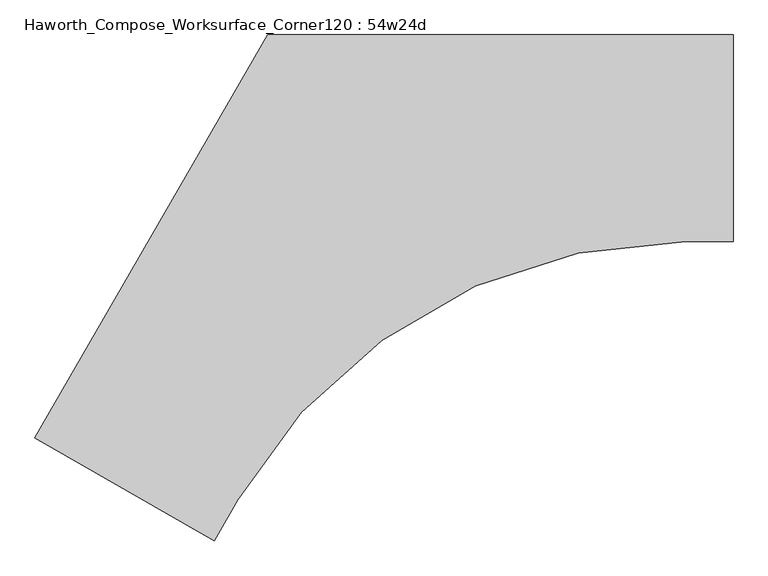
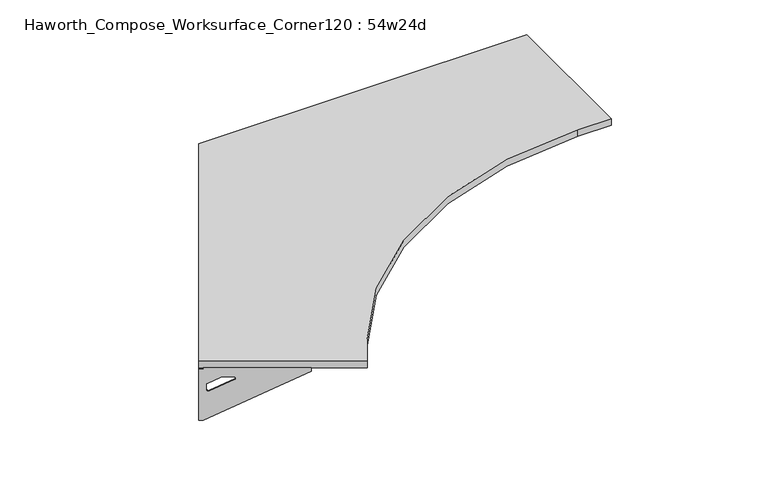
"""IFC4 building model written with IfcOpenShell, lengths in millimetres: furniture geometry, Haworth_Compose_Worksurface_Corner120 : 54w24d."""

from ifc_helpers import new_model, si_unit, point, frame, frame_2d, origin, place, context, project, spatial, polyline, circle_curve, trimmed, segment, composite_curve, outline, extrude, source, transform, mapped, element, save
from ifc_brep_helpers import plane_surface, revolved_surface, advanced_brep


def haworth_compose_worksurface_corner120_54w24d_09cba684(model_context):
    return source(origin(), model_context, "Body", "SolidModel", [
        advanced_brep(
        [(607.21875, 304.8, 473.86875), (607.21875, 288.925, 473.86875), (607.21875, -101.6, 690.1317568), (607.21875, -101.6, 702.46875), (607.21875, 288.925, 702.46875), (607.21875, 304.8, 702.46875), (607.21875, 221.490072, 664.36875), (607.21875, 177.8355284, 664.36875), (607.21875, 175.1564235, 654.7830539), (607.21875, 266.8776173, 603.9901439), (607.21875, 276.225, 609.5881969), (607.21875, 276.225, 633.0985246), (607.21875, 274.4730055, 635.9367776), (607.21875, 224.5663437, 663.5738425), (609.6, 304.8, 473.86875), (609.6, 304.8, 702.46875), (609.6, 288.925, 702.46875), (609.6, 288.925, 704.85), (609.6, -101.6, 704.85), (609.6, -101.6, 690.1317568), (609.6, 288.925, 473.86875), (609.6, 221.490072, 664.36875), (609.6, 224.5663437, 663.5738425), (609.6, 274.4730055, 635.9367776), (609.6, 276.225, 633.0985246), (609.6, 276.225, 609.5881969), (609.6, 266.8776173, 603.9901439), (609.6, 175.1564235, 654.7830539), (609.6, 177.8355284, 664.36875), (568.325, -101.6, 704.85), (568.325, -101.6, 702.46875), (568.325, 288.925, 702.46875), (568.325, 288.925, 704.85)],
        [
            (0, 1),
            (1, 2),
            (2, 3),
            (3, 4),
            (4, 5),
            (5, 0),
            (6, 7),
            (7, 8, circle_curve(frame((607.21875, 177.8355284, 659.2015106), z_axis=(1.0, 0.0, 0.0), x_axis=(0.0, -1.0, 0.0)), 5.1672394)),
            (8, 9),
            (9, 10, circle_curve(frame((607.21875, 269.875, 609.5881969), z_axis=(1.0, 0.0, 0.0), x_axis=(0.0, -1.0, 0.0)), 6.35)),
            (10, 11),
            (11, 12, circle_curve(frame((607.21875, 273.05, 633.0985246), z_axis=(1.0, 0.0, 0.0), x_axis=(0.0, -1.0, 0.0)), 3.175)),
            (12, 13),
            (13, 6, circle_curve(frame((607.21875, 221.490072, 658.01875), z_axis=(1.0, 0.0, 0.0), x_axis=(0.0, -1.0, 0.0)), 6.35)),
            (14, 15),
            (15, 16),
            (16, 17),
            (17, 18),
            (18, 19),
            (19, 20),
            (20, 14),
            (21, 22, circle_curve(frame((609.6, 221.490072, 658.01875), z_axis=(-1.0, 0.0, 0.0), x_axis=(0.0, -1.0, 0.0)), 6.35)),
            (22, 23),
            (23, 24, circle_curve(frame((609.6, 273.05, 633.0985246), z_axis=(-1.0, 0.0, 0.0), x_axis=(0.0, -1.0, 0.0)), 3.175)),
            (24, 25),
            (25, 26, circle_curve(frame((609.6, 269.875, 609.5881969), z_axis=(-1.0, 0.0, 0.0), x_axis=(0.0, -1.0, 0.0)), 6.35)),
            (26, 27),
            (27, 28, circle_curve(frame((609.6, 177.8355284, 659.2015106), z_axis=(-1.0, 0.0, 0.0), x_axis=(0.0, -1.0, 0.0)), 5.1672394)),
            (28, 21),
            (4, 16),
            (15, 5),
            (14, 0),
            (20, 1),
            (19, 2),
            (18, 29),
            (29, 30),
            (30, 3),
            (6, 21),
            (28, 7),
            (9, 26),
            (25, 10),
            (24, 11),
            (23, 12),
            (27, 8),
            (31, 4),
            (30, 31),
            (32, 29),
            (17, 32),
            (31, 32),
            (22, 13),
        ],
        [
            plane_surface(frame((607.21875, 304.8, 473.86875), z_axis=(-1.0, 0.0, 0.0), x_axis=(0.0, 1.0, 0.0))),
            plane_surface(frame((609.6, 304.8, 473.86875), z_axis=(1.0, 0.0, 0.0), x_axis=(0.0, -1.0, 0.0))),
            plane_surface(frame((609.6, -101.6, 702.46875), z_axis=(0.0, 0.0, 1.0), x_axis=(-1.0, 0.0, 0.0))),
            plane_surface(frame((609.6, 304.8, 702.46875), z_axis=(0.0, 1.0, 0.0), x_axis=(-1.0, 0.0, 0.0))),
            plane_surface(frame((609.6, 304.8, 473.86875), z_axis=(0.0, 0.0, -1.0), x_axis=(-1.0, 0.0, 0.0))),
            plane_surface(frame((609.6, 288.925, 473.86875), z_axis=(0.0, -0.4844522351345575, -0.8748177135112957), x_axis=(-1.0, 0.0, 0.0))),
            plane_surface(frame((609.6, -101.6, 690.1317568), z_axis=(0.0, -1.0, 0.0), x_axis=(-1.0, 0.0, 0.0))),
            plane_surface(frame((609.6, 221.490072, 664.36875), z_axis=(0.0, 0.0, -1.0), x_axis=(-1.0, 0.0, 0.0))),
            revolved_surface(polyline([(607.21875, 263.525, 609.5881969), (609.6, 263.525, 609.5881969)]), (609.6, 269.875, 609.5881969), (-1.0, 0.0, 0.0)),
            plane_surface(frame((609.6, 276.225, 609.5881969), z_axis=(0.0, -1.0, 0.0), x_axis=(-1.0, 0.0, 0.0))),
            revolved_surface(polyline([(607.21875, 269.875, 633.0985246), (609.6, 269.875, 633.0985246)]), (609.6, 273.05, 633.0985246), (-1.0, 0.0, 0.0)),
            revolved_surface(polyline([(607.21875, 172.668289, 659.2015106), (609.6, 172.668289, 659.2015106)]), (609.6, 177.8355284, 659.2015106), (-1.0, 0.0, 0.0)),
            plane_surface(frame((609.6, 288.925, 702.46875), z_axis=(0.0, 0.0, -1.0), x_axis=(-1.0, 0.0, 0.0))),
            plane_surface(frame((609.6, 288.925, 704.85), z_axis=(0.0, 0.0, 1.0), x_axis=(1.0, 0.0, 0.0))),
            plane_surface(frame((568.325, 288.925, 704.85), z_axis=(0.0, 1.0, 0.0), x_axis=(0.0, 0.0, -1.0))),
            plane_surface(frame((568.325, -101.6, 704.85), z_axis=(-1.0, 0.0, 0.0), x_axis=(0.0, 0.0, -1.0))),
            plane_surface(frame((609.6, 175.1564235, 654.7830539), z_axis=(0.0, 0.4844522351341526, 0.8748177135115199), x_axis=(-1.0, 0.0, 0.0))),
            plane_surface(frame((609.6, 274.4730055, 635.9367776), z_axis=(0.0, -0.48445223513456226, -0.874817713511293), x_axis=(-1.0, 0.0, 0.0))),
            revolved_surface(polyline([(607.21875, 215.140072, 658.01875), (609.6, 215.140072, 658.01875)]), (609.6, 221.490072, 658.01875), (-1.0, 0.0, 0.0)),
        ],
        [
            (0, [[1, 2, 3, 4, 5, 6], [7, 8, 9, 10, 11, 12, 13, 14]]),
            (1, [[15, 16, 17, 18, 19, 20, 21], [22, 23, 24, 25, 26, 27, 28, 29]]),
            (2, [[-5, 30, -16, 31]]),
            (3, [[-31, -15, 32, -6]]),
            (4, [[-32, -21, 33, -1]]),
            (5, [[-33, -20, 34, -2]]),
            (6, [[-34, -19, 35, 36, 37, -3]]),
            (7, [[38, -29, 39, -7]]),
            (8, [[40, -26, 41, -10]]),
            (9, [[-41, -25, 42, -11]]),
            (10, [[-42, -24, 43, -12]]),
            (11, [[-39, -28, 44, -8]]),
            (12, [[45, -4, -37, 46]]),
            (13, [[47, -35, -18, 48]]),
            (14, [[-17, -30, -45, 49, -48]]),
            (15, [[-36, -47, -49, -46]]),
            (16, [[-44, -27, -40, -9]]),
            (17, [[-43, -23, 50, -13]]),
            (18, [[-50, -22, -38, -14]]),
        ],
    ),
        advanced_brep(
        [(-1446.609375, -880.9782208, 473.86875), (-1446.609375, -880.9782208, 702.46875), (-1432.8612217, -888.9157208, 702.46875), (-1094.6566509, -1084.1782208, 702.46875), (-1094.6566509, -1084.1782208, 690.1317568), (-1432.8612217, -888.9157208, 473.86875), (-1374.460861, -922.6331848, 664.36875), (-1377.1249904, -921.095049, 663.5738425), (-1420.3454274, -896.1417181, 635.9367776), (-1421.8626991, -895.2657208, 633.0985246), (-1421.8626991, -895.2657208, 609.5881969), (-1413.7676282, -899.9394122, 603.9901439), (-1334.3347443, -945.8000091, 654.7830539), (-1336.6549172, -944.4604566, 664.36875), (-1447.8, -883.0404438, 473.86875), (-1434.0518467, -890.9779438, 473.86875), (-1095.8472759, -1086.2404438, 690.1317568), (-1095.8472759, -1086.2404438, 704.85), (-1434.0518467, -890.9779438, 704.85), (-1434.0518467, -890.9779438, 702.46875), (-1447.8, -883.0404438, 702.46875), (-1375.651486, -924.6954078, 664.36875), (-1337.8455422, -946.5226796, 664.36875), (-1335.5253693, -947.8622321, 654.7830539), (-1414.9582532, -902.0016352, 603.9901439), (-1423.0533241, -897.3279438, 609.5881969), (-1423.0533241, -897.3279438, 633.0985246), (-1421.5360524, -898.2039411, 635.9367776), (-1378.3156154, -923.157272, 663.5738425), (-1075.2097759, -1050.4952453, 702.46875), (-1075.2097759, -1050.4952453, 704.85), (-1413.4143467, -855.2327453, 702.46875), (-1413.4143467, -855.2327453, 704.85)],
        [
            (0, 1),
            (1, 2),
            (2, 3),
            (3, 4),
            (4, 5),
            (5, 0),
            (6, 7, circle_curve(frame((-1374.460861, -922.6331848, 658.01875), z_axis=(-0.5000000000000026, -0.8660254037844374, 0.0), x_axis=(0.8660254037844372, -0.5000000000000024, 0.0)), 6.35)),
            (7, 8),
            (8, 9, circle_curve(frame((-1419.1130684, -896.8532208, 633.0985246), z_axis=(-0.5000000000000026, -0.8660254037844374, 0.0), x_axis=(0.8660254037844372, -0.5000000000000024, 0.0)), 3.175)),
            (9, 10),
            (10, 11, circle_curve(frame((-1416.3634378, -898.4407208, 609.5881969), z_axis=(-0.5000000000000026, -0.8660254037844374, 0.0), x_axis=(0.8660254037844372, -0.5000000000000024, 0.0)), 6.35)),
            (11, 12),
            (12, 13, circle_curve(frame((-1336.6549172, -944.4604566, 659.2015106), z_axis=(-0.5000000000000026, -0.8660254037844374, 0.0), x_axis=(0.8660254037844372, -0.5000000000000024, 0.0)), 5.1672394)),
            (13, 6),
            (14, 15),
            (15, 16),
            (16, 17),
            (17, 18),
            (18, 19),
            (19, 20),
            (20, 14),
            (21, 22),
            (22, 23, circle_curve(frame((-1337.8455422, -946.5226796, 659.2015106), z_axis=(0.5000000000000026, 0.8660254037844374, 0.0), x_axis=(0.8660254037844372, -0.5000000000000024, 0.0)), 5.1672394)),
            (23, 24),
            (24, 25, circle_curve(frame((-1417.5540628, -900.5029438, 609.5881969), z_axis=(0.5000000000000026, 0.8660254037844374, 0.0), x_axis=(0.8660254037844372, -0.5000000000000024, 0.0)), 6.35)),
            (25, 26),
            (26, 27, circle_curve(frame((-1420.3036934, -898.9154438, 633.0985246), z_axis=(0.5000000000000026, 0.8660254037844374, 0.0), x_axis=(0.8660254037844372, -0.5000000000000024, 0.0)), 3.175)),
            (27, 28),
            (28, 21, circle_curve(frame((-1375.651486, -924.6954078, 658.01875), z_axis=(0.5000000000000026, 0.8660254037844374, 0.0), x_axis=(0.8660254037844372, -0.5000000000000024, 0.0)), 6.35)),
            (1, 20),
            (19, 2),
            (0, 14),
            (5, 15),
            (4, 16),
            (3, 29),
            (29, 30),
            (30, 17),
            (13, 22),
            (21, 6),
            (10, 25),
            (24, 11),
            (9, 26),
            (8, 27),
            (12, 23),
            (31, 29),
            (2, 31),
            (32, 18),
            (30, 32),
            (32, 31),
            (7, 28),
        ],
        [
            plane_surface(frame((-1446.609375, -880.9782208, 473.86875), z_axis=(0.5000000000000026, 0.8660254037844373, 0.0), x_axis=(-0.8660254037844373, 0.5000000000000026, 0.0))),
            plane_surface(frame((-1447.8, -883.0404438, 473.86875), z_axis=(-0.5000000000000026, -0.8660254037844373, 0.0), x_axis=(0.8660254037844373, -0.5000000000000026, 0.0))),
            plane_surface(frame((-1095.8472759, -1086.2404438, 702.46875), z_axis=(0.0, 0.0, 1.0), x_axis=(0.5000000000000011, 0.866025403784438, 0.0))),
            plane_surface(frame((-1447.8, -883.0404438, 702.46875), z_axis=(-0.866025403784438, 0.5000000000000011, 0.0), x_axis=(0.5000000000000011, 0.866025403784438, 0.0))),
            plane_surface(frame((-1447.8, -883.0404438, 473.86875), z_axis=(0.0, 0.0, -1.0), x_axis=(0.5000000000000011, 0.866025403784438, 0.0))),
            plane_surface(frame((-1434.0518467, -890.9779438, 473.86875), z_axis=(0.41954794254667943, -0.24222611756727808, -0.8748177135112957), x_axis=(0.5000000000000011, 0.866025403784438, 0.0))),
            plane_surface(frame((-1095.8472759, -1086.2404438, 690.1317568), z_axis=(0.866025403784438, -0.5000000000000011, 0.0), x_axis=(0.5000000000000011, 0.866025403784438, 0.0))),
            plane_surface(frame((-1375.651486, -924.6954078, 664.36875), z_axis=(0.0, 0.0, -1.0), x_axis=(0.5000000000000011, 0.866025403784438, 0.0))),
            revolved_surface(polyline([(-1410.864176479327, -901.615720795734, 609.5881969), (-1412.0548014983856, -903.6779438215062, 609.5881969)]), (-1417.5540628, -900.5029438, 609.5881969), (0.5000000000000024, 0.8660254037844372, 0.0)),
            plane_surface(frame((-1423.0533241, -897.3279438, 609.5881969), z_axis=(0.866025403784438, -0.5000000000000011, 0.0), x_axis=(0.5000000000000011, 0.866025403784438, 0.0))),
            revolved_surface(polyline([(-1416.36343773985, -898.4407208018096, 633.0985246), (-1417.5540627864536, -900.5029438752912, 633.0985246)]), (-1420.3036934, -898.9154438, 633.0985246), (0.5000000000000024, 0.8660254037844372, 0.0)),
            revolved_surface(polyline([(-1332.17995660903, -947.0440763018096, 659.2015106), (-1333.3705816345157, -949.1062993387139, 659.2015106)]), (-1337.8455422, -946.5226796, 659.2015106), (0.5000000000000024, 0.8660254037844372, 0.0)),
            plane_surface(frame((-1434.0518467, -890.9779438, 702.46875), z_axis=(0.0, 0.0, -1.0), x_axis=(0.5000000000000011, 0.866025403784438, 0.0))),
            plane_surface(frame((-1434.0518467, -890.9779438, 704.85), z_axis=(0.0, 0.0, 1.0), x_axis=(-0.5000000000000011, -0.866025403784438, 0.0))),
            plane_surface(frame((-1413.4143467, -855.2327453, 704.85), z_axis=(-0.866025403784438, 0.5000000000000011, 0.0), x_axis=(0.0, 0.0, -1.0))),
            plane_surface(frame((-1075.2097759, -1050.4952453, 704.85), z_axis=(0.5000000000000011, 0.866025403784438, 0.0), x_axis=(0.0, 0.0, -1.0))),
            plane_surface(frame((-1335.5253693, -947.8622321, 654.7830539), z_axis=(-0.41954794254632877, 0.24222611756707563, 0.87481771351152), x_axis=(0.5000000000000011, 0.866025403784438, 0.0))),
            plane_surface(frame((-1421.5360524, -898.2039411, 635.9367776), z_axis=(0.4195479425466836, -0.24222611756728046, -0.874817713511293), x_axis=(0.5000000000000011, 0.866025403784438, 0.0))),
            revolved_surface(polyline([(-1368.9615996828345, -925.8081848018096, 658.01875), (-1370.1522246973336, -927.8704078196846, 658.01875)]), (-1375.651486, -924.6954078, 658.01875), (0.5000000000000024, 0.8660254037844372, 0.0)),
        ],
        [
            (0, [[1, 2, 3, 4, 5, 6], [7, 8, 9, 10, 11, 12, 13, 14]]),
            (1, [[15, 16, 17, 18, 19, 20, 21], [22, 23, 24, 25, 26, 27, 28, 29]]),
            (2, [[30, -20, 31, -2]]),
            (3, [[-1, 32, -21, -30]]),
            (4, [[-6, 33, -15, -32]]),
            (5, [[-5, 34, -16, -33]]),
            (6, [[-4, 35, 36, 37, -17, -34]]),
            (7, [[-14, 38, -22, 39]]),
            (8, [[-11, 40, -25, 41]]),
            (9, [[-10, 42, -26, -40]]),
            (10, [[-9, 43, -27, -42]]),
            (11, [[-13, 44, -23, -38]]),
            (12, [[45, -35, -3, 46]]),
            (13, [[47, -18, -37, 48]]),
            (14, [[-47, 49, -46, -31, -19]]),
            (15, [[-45, -49, -48, -36]]),
            (16, [[-12, -41, -24, -44]]),
            (17, [[-8, 50, -28, -43]]),
            (18, [[-7, -39, -29, -50]]),
        ],
    ),
        extrude(outline(composite_curve([segment(polyline([(-1447.8, -883.0404438), (-762.0, 304.8), (609.6, 304.8), (609.6, -304.8), (469.8345343, -304.8)]), True, "CONTINUOUS"), segment(trimmed(circle_curve(frame_2d((469.8345343, -1828.8)), 1524.0), [point((469.8345343, -304.8))], [point((-849.988181, -1066.8))], True, "CARTESIAN"), True, "CONTINUOUS"), segment(polyline([(-849.988181, -1066.8), (-919.8709139, -1187.8404438), (-1447.8, -883.0404438)]), True, "CONTINUOUS")], self_intersect=False)), frame((0.0, 0.0, 706.4375), z_axis=(0.0, 0.0, 1.0), x_axis=(1.0, 0.0, 0.0)), (0.0, 0.0, 1.0), 30.1625),
    ])


if __name__ == "__main__":
    model = new_model("IFC4")
    model_context = context("Model", 3, world=origin())
    ifc_project = project(units=[si_unit("LENGTHUNIT", "METRE", prefix="MILLI")], contexts=[model_context])
    site = spatial("IfcSite", under=ifc_project)
    building = spatial("IfcBuilding", under=site)
    placement = place(None, origin())
    haworth_compose_worksurface_corner120_54w24d_shape = haworth_compose_worksurface_corner120_54w24d_09cba684(model_context)
    element("IfcFurniture", 1, ObjectType="Haworth_Compose_Worksurface_Corner120 : 54w24d", at=placement, inside=building, context=model_context, shape_type="MappedRepresentation", body=[
        mapped(haworth_compose_worksurface_corner120_54w24d_shape, transform((0.0, 0.0, 0.0), x_axis=(1.0, 0.0, 0.0), y_axis=(0.0, 1.0, 0.0), z_axis=(0.0, 0.0, 1.0))),
    ])
    save(model, "model.ifc")
